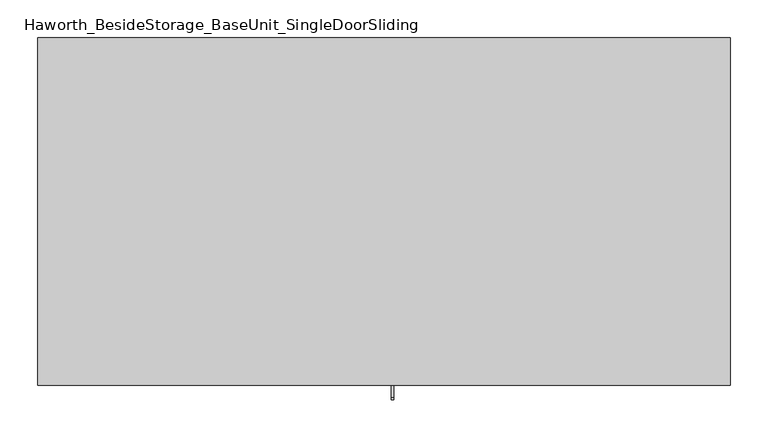
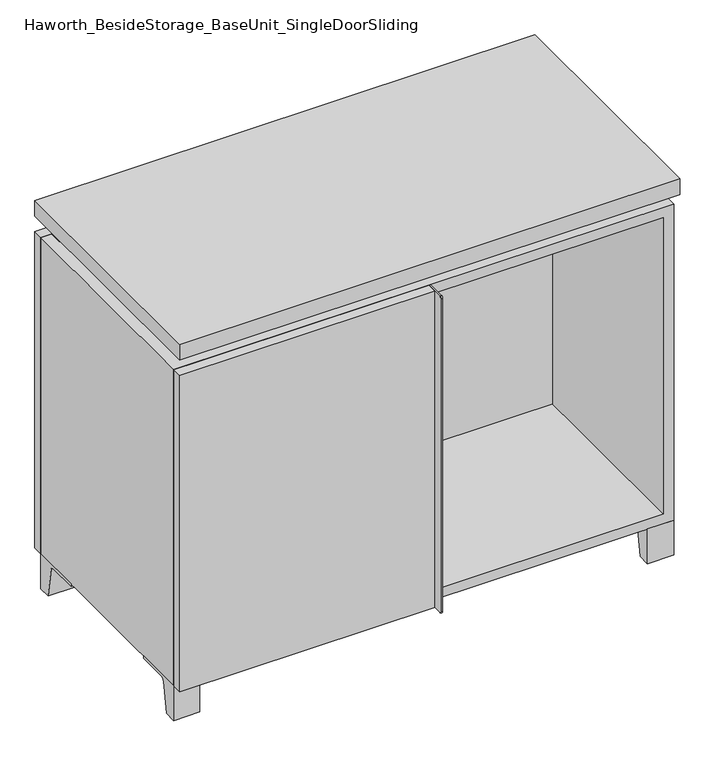
"""IFC4 building model written with IfcOpenShell, lengths in millimetres: furniture geometry, Haworth_BesideStorage_BaseUnit_SingleDoorSliding."""

from ifc_helpers import new_model, si_unit, point, frame, frame_2d, origin, place, context, project, spatial, polyline, circle_curve, trimmed, segment, composite_curve, outline, extrude, faceted_brep, source, transform, mapped, element, save


def haworth_besidestorage_baseunit_singledoorsliding_6b31c4d8(model_context):
    return source(origin(), model_context, "Body", "SolidModel", [
        extrude(outline(composite_curve([segment(polyline([(-123.2958469, 0.0), (-146.05, 0.0), (-146.05, 66.675), (-50.8, 66.675), (-50.8, 61.8963321), (-107.6005345, 61.8963321)]), True, "CONTINUOUS"), segment(trimmed(circle_curve(frame_2d((-107.6005345, 55.5463321)), 6.35), [point((-107.6005345, 61.8963321))], [point((-113.8641359, 56.5902656))], True, "CARTESIAN"), True, "CONTINUOUS"), segment(polyline([(-113.8641359, 56.5902656), (-123.2958469, 0.0)]), True, "CONTINUOUS")], self_intersect=False)), frame((408.0013906, 0.0, 0.0), z_axis=(1.0, 0.0, 0.0), x_axis=(0.0, 1.0, 0.0)), (0.0, 0.0, 1.0), 47.625),
        extrude(outline(composite_curve([segment(polyline([(250.2958469, 0.0), (240.8641359, 56.5902656)]), True, "CONTINUOUS"), segment(trimmed(circle_curve(frame_2d((234.6005345, 55.5463321)), 6.35), [point((240.8641359, 56.5902656))], [point((234.6005345, 61.8963321))], True, "CARTESIAN"), True, "CONTINUOUS"), segment(polyline([(234.6005345, 61.8963321), (177.8, 61.8963321), (177.8, 66.675), (273.05, 66.675), (273.05, 0.0), (250.2958469, 0.0)]), True, "CONTINUOUS")], self_intersect=False)), frame((408.0013906, 0.0, 0.0), z_axis=(1.0, 0.0, 0.0), x_axis=(0.0, 1.0, 0.0)), (0.0, 0.0, 1.0), 47.625),
        extrude(outline(composite_curve([segment(polyline([(-123.2958469, 0.0), (-146.05, 0.0), (-146.05, 66.675), (-50.8, 66.675), (-50.8, 61.8963321), (-107.6005345, 61.8963321)]), True, "CONTINUOUS"), segment(trimmed(circle_curve(frame_2d((-107.6005345, 55.5463321)), 6.35), [point((-107.6005345, 61.8963321))], [point((-113.8641359, 56.5902656))], True, "CARTESIAN"), True, "CONTINUOUS"), segment(polyline([(-113.8641359, 56.5902656), (-123.2958469, 0.0)]), True, "CONTINUOUS")], self_intersect=False)), frame((-455.5986094, 0.0, 0.0), z_axis=(1.0, 0.0, 0.0), x_axis=(0.0, 1.0, 0.0)), (0.0, 0.0, 1.0), 47.625),
        extrude(outline(composite_curve([segment(polyline([(250.2958469, 0.0), (240.8641359, 56.5902656)]), True, "CONTINUOUS"), segment(trimmed(circle_curve(frame_2d((234.6005345, 55.5463321)), 6.35), [point((240.8641359, 56.5902656))], [point((234.6005345, 61.8963321))], True, "CARTESIAN"), True, "CONTINUOUS"), segment(polyline([(234.6005345, 61.8963321), (177.8, 61.8963321), (177.8, 66.675), (273.05, 66.675), (273.05, 0.0), (250.2958469, 0.0)]), True, "CONTINUOUS")], self_intersect=False)), frame((-455.5986094, 0.0, 0.0), z_axis=(1.0, 0.0, 0.0), x_axis=(0.0, 1.0, 0.0)), (0.0, 0.0, 1.0), 47.625),
        faceted_brep([(-455.5986094, -146.05, 66.675), (455.6125, -146.05, 66.675), (455.6125, -146.05, 676.275), (-455.5986094, -146.05, 676.275), (-436.5486094, -146.05, 85.725), (-436.5486094, -146.05, 657.225), (436.5694453, -146.05, 657.225), (436.5486094, -146.05, 85.725), (-455.5986094, 273.05, 66.675), (-455.5986094, 273.05, 676.275), (-436.5486094, 273.05, 676.275), (-436.5486094, 273.05, 85.725), (436.5486094, 273.05, 85.725), (436.5486094, 273.05, 676.275), (455.6125, 273.05, 676.275), (455.6125, 273.05, 66.675), (436.5486094, 247.65, 676.275), (-436.5416641, 247.65, 676.275), (-436.5486094, 247.65, 657.225), (436.5486094, 247.65, 657.225)], [[[0, 1, 2, 3], [4, 5, 6, 7]], [[8, 9, 10, 11, 12, 13, 14, 15]], [[1, 0, 8, 15]], [[2, 1, 15, 14]], [[3, 2, 14, 13, 16, 17, 10, 9]], [[0, 3, 9, 8]], [[11, 10, 17, 18, 5, 4]], [[13, 12, 7, 6, 19, 16]], [[4, 7, 12, 11]], [[6, 5, 18, 19]], [[17, 16, 19, 18]]]),
        extrude(outline(polyline([(455.6263906, -165.1), (-455.5986094, -165.1), (-455.5986094, 292.1), (455.6263906, 292.1), (455.6263906, -165.1)])), frame((0.0, 0.0, 706.4375), z_axis=(0.0, 0.0, 1.0), x_axis=(1.0, 0.0, 0.0)), (0.0, 0.0, 1.0), 30.1625),
        faceted_brep([(7.9513906, -69.85, 706.4375), (7.9513906, -69.85, 676.275), (7.9513906, 53.975, 676.275), (7.9513906, 53.975, 706.4375), (7.9513906, 196.85, 676.275), (7.9513906, 196.85, 706.4375), (7.9513906, 73.025, 706.4375), (7.9513906, 73.025, 676.275), (-7.9236094, 196.85, 706.4375), (-7.9236094, 196.85, 676.275), (-7.9236094, 73.025, 676.275), (-7.9236094, 73.025, 706.4375), (-7.9236094, -69.85, 676.275), (-7.9236094, -69.85, 706.4375), (-7.9236094, 53.975, 706.4375), (-7.9236094, 53.975, 676.275), (-414.2958281, 73.025, 706.4375), (-414.3166641, 247.65, 706.4375), (-430.1916641, 247.65, 706.4375), (-430.1916641, -120.65, 706.4375), (-414.3166641, -120.65, 706.4375), (-414.3166641, 53.975, 706.4375), (414.3236094, 53.975, 706.4375), (414.3236094, -120.65, 706.4375), (430.1986094, -120.65, 706.4375), (430.1986094, 247.65, 706.4375), (414.3236094, 247.65, 706.4375), (414.3236094, 73.025, 706.4375), (-414.2958281, 53.975, 676.275), (-414.3166641, -120.65, 676.275), (-430.1916641, -120.65, 676.275), (-430.1916641, 247.65, 676.275), (-414.3166641, 247.65, 676.275), (-414.3166641, 73.025, 676.275), (414.3236094, 73.025, 676.275), (414.3236094, 247.65, 676.275), (430.1986094, 247.65, 676.275), (430.1986094, -120.65, 676.275), (414.3236094, -120.65, 676.275), (414.3236094, 53.975, 676.275)], [[[0, 1, 2, 3]], [[4, 5, 6, 7]], [[8, 9, 10, 11]], [[12, 13, 14, 15]], [[5, 8, 11, 16, 17, 18, 19, 20, 21, 14, 13, 0, 3, 22, 23, 24, 25, 26, 27, 6]], [[1, 12, 15, 28, 29, 30, 31, 32, 33, 10, 9, 4, 7, 34, 35, 36, 37, 38, 39, 2]], [[5, 4, 9, 8]], [[1, 0, 13, 12]], [[6, 27, 34, 7]], [[22, 3, 2, 39]], [[20, 29, 28, 21]], [[32, 17, 16, 33]], [[18, 31, 30, 19]], [[29, 20, 19, 30]], [[17, 32, 31, 18]], [[26, 35, 34, 27]], [[38, 23, 22, 39]], [[25, 24, 37, 36]], [[23, 38, 37, 24]], [[35, 26, 25, 36]], [[16, 11, 10, 33]], [[14, 21, 28, 15]]]),
        extrude(outline(polyline([(9.5388906, 203.2), (9.5388906, -146.05), (-9.5111094, -146.05), (-9.5111094, 203.2), (9.5388906, 203.2)])), frame((0.0, 0.0, 85.725), z_axis=(0.0, 0.0, 1.0), x_axis=(1.0, 0.0, 0.0)), (0.0, 0.0, 1.0), 571.5),
        extrude(outline(polyline([(455.6263906, 273.05), (-455.5986094, 273.05), (-455.5986094, 292.1), (455.6263906, 292.1), (455.6263906, 273.05)])), frame((0.0, 0.0, 66.675), z_axis=(0.0, 0.0, 1.0), x_axis=(1.0, 0.0, 0.0)), (0.0, 0.0, 1.0), 609.6),
        extrude(outline(polyline([(-436.5416641, 203.2), (-436.5416641, 209.55), (436.5694453, 209.55), (436.5694453, 203.2), (-436.5416641, 203.2)])), frame((0.0, 0.0, 85.725), z_axis=(0.0, 0.0, 1.0), x_axis=(1.0, 0.0, 0.0)), (0.0, 0.0, 1.0), 571.5),
        extrude(outline(composite_curve([segment(polyline([(-146.05, 676.275), (-146.05, 66.675), (-180.975, 66.675)]), True, "CONTINUOUS"), segment(trimmed(circle_curve(frame_2d((-180.975, 69.85)), 3.175), [point((-180.975, 66.675))], [point((-184.15, 69.85))], False, "CARTESIAN"), True, "CONTINUOUS"), segment(polyline([(-184.15, 69.85), (-184.15, 673.1)]), True, "CONTINUOUS"), segment(trimmed(circle_curve(frame_2d((-180.975, 673.1)), 3.175), [point((-184.15, 673.1))], [point((-180.975, 676.275))], False, "CARTESIAN"), True, "CONTINUOUS"), segment(polyline([(-180.975, 676.275), (-146.05, 676.275)]), True, "CONTINUOUS")], self_intersect=False)), frame((9.5388906, 0.0, 0.0), z_axis=(1.0, 0.0, 0.0), x_axis=(0.0, 1.0, 0.0)), (0.0, 0.0, 1.0), 3.175),
        extrude(outline(polyline([(-455.5986094, -146.05), (9.5388906, -146.05), (9.5388906, -165.1), (-455.5986094, -165.1), (-455.5986094, -146.05)])), frame((0.0, 0.0, 66.675), z_axis=(0.0, 0.0, 1.0), x_axis=(1.0, 0.0, 0.0)), (0.0, 0.0, 1.0), 609.6),
    ])


if __name__ == "__main__":
    model = new_model("IFC4")
    model_context = context("Model", 3, world=origin())
    ifc_project = project(units=[si_unit("LENGTHUNIT", "METRE", prefix="MILLI")], contexts=[model_context])
    site = spatial("IfcSite", under=ifc_project)
    building = spatial("IfcBuilding", under=site)
    placement = place(None, origin())
    haworth_besidestorage_baseunit_singledoorsliding_shape = haworth_besidestorage_baseunit_singledoorsliding_6b31c4d8(model_context)
    element("IfcFurniture", 1, ObjectType="Haworth_BesideStorage_BaseUnit_SingleDoorSliding", at=placement, inside=building, context=model_context, shape_type="MappedRepresentation", body=[
        mapped(haworth_besidestorage_baseunit_singledoorsliding_shape, transform((0.0, 0.0, 0.0), x_axis=(1.0, 0.0, 0.0), y_axis=(0.0, 1.0, 0.0), z_axis=(0.0, 0.0, 1.0))),
    ])
    save(model, "model.ifc")
